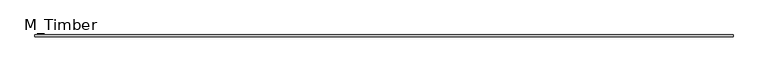
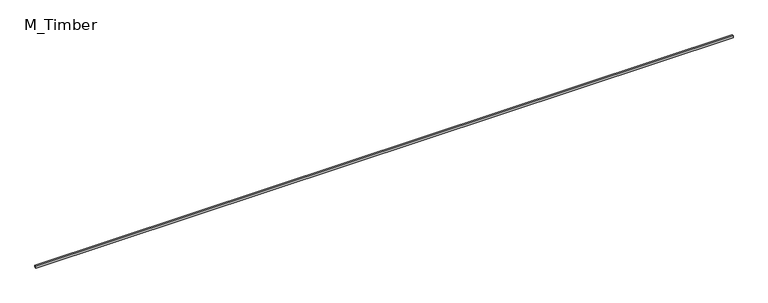
"""IFC4 building model written with IfcOpenShell, lengths in millimetres: beam geometry, M_Timber."""

import ifcopenshell
import ifcopenshell.guid

model = None  # the IFC model being written
_history = None  # IfcOwnerHistory: only IFC2X3 demands one
_inside = {}  # id of a spatial element -> (the spatial element, [elements in it])
_under = {}  # id of a project, library or spatial element -> (it, [spatial elements below it])
_declared = {}  # id of a project -> (the project, [libraries it declares])
_typed = {}  # id of a type object -> (the type object, [elements of that type])
_made_of = {}  # id of a material, layer set ... -> (it, [elements and type objects made of it])


def new_model(schema):
    """Start an empty IFC model of exactly this schema.

    Asked for "IFC4X3", IfcOpenShell would pick the latest addendum, in which some entities
    have other attributes; the version numbers below select the first issue.
    IFC2X3 requires an IfcOwnerHistory on every rooted entity: one is made here for all.
    """
    global model, _history
    if schema == "IFC4X3":
        model = ifcopenshell.file(schema_version=(4, 3, 0, 0))
    else:
        model = ifcopenshell.file(schema=schema)
    _inside.clear()
    _under.clear()
    _declared.clear()
    _typed.clear()
    _made_of.clear()
    _history = None
    if model.schema == "IFC2X3":
        org = make("IfcOrganization", Name="unknown")
        user = make(
            "IfcPersonAndOrganization",
            ThePerson=make("IfcPerson", FamilyName="unknown"),
            TheOrganization=org,
        )
        app = make(
            "IfcApplication",
            ApplicationDeveloper=org,
            Version="unknown",
            ApplicationFullName="unknown",
            ApplicationIdentifier="unknown",
        )
        _history = make(
            "IfcOwnerHistory",
            OwningUser=user,
            OwningApplication=app,
            ChangeAction="ADDED",
            CreationDate=0,
        )
    return model


def make(cls, **values):
    """One entity of the class cls with the attributes given. An attribute that is None is left unset."""
    return model.create_entity(
        cls, **{name: value for name, value in values.items() if value is not None}
    )


def rooted(cls, **values):
    """An entity with a GlobalId (a new one), such as an element, a storey or a relation."""
    return make(cls, GlobalId=ifcopenshell.guid.new(), OwnerHistory=_history, **values)


def si_unit(unit_type, name, prefix=None):
    """IfcSIUnit, for example si_unit("LENGTHUNIT", "METRE", prefix="MILLI")."""
    return make("IfcSIUnit", UnitType=unit_type, Prefix=prefix, Name=name)


def assignment(units):
    """IfcUnitAssignment: the units of a project."""
    return None if units is None else make("IfcUnitAssignment", Units=units)


def point(xyz):
    """IfcCartesianPoint."""
    return None if xyz is None else make("IfcCartesianPoint", Coordinates=xyz)


def direction(xyz):
    """IfcDirection."""
    return None if xyz is None else make("IfcDirection", DirectionRatios=xyz)


def frame(location, z_axis=None, x_axis=None):
    """IfcAxis2Placement3D, a coordinate frame: its origin and axes. An axis left out is left unset."""
    return make(
        "IfcAxis2Placement3D",
        Location=point(location),
        Axis=direction(z_axis),
        RefDirection=direction(x_axis),
    )


def origin():
    """The frame at (0, 0, 0) with its axes left unset."""
    return frame((0.0, 0.0, 0.0))


def place(relative_to, where):
    """IfcLocalPlacement: puts the frame where relative to a parent placement (None: the world)."""
    return make(
        "IfcLocalPlacement", PlacementRelTo=relative_to, RelativePlacement=where
    )


def context(
    kind, dimensions, precision=None, world=None, true_north=None, identifier=None
):
    """IfcGeometricRepresentationContext, for example the 3D "Model" context."""
    return make(
        "IfcGeometricRepresentationContext",
        ContextIdentifier=identifier,
        ContextType=kind,
        CoordinateSpaceDimension=dimensions,
        Precision=precision,
        WorldCoordinateSystem=world,
        TrueNorth=true_north,
    )


def project(units=None, contexts=None):
    """IfcProject with its units and contexts."""
    return rooted(
        "IfcProject",
        Name="project",
        RepresentationContexts=contexts,
        UnitsInContext=assignment(units),
    )


def spatial(cls, under=None, at=None, **own):
    """A site, building, storey or space (cls), placed at a placement, below another one or the project."""
    s = rooted(cls, ObjectPlacement=at, **own)
    if under is not None:
        _under.setdefault(under.id(), (under, []))[1].append(s)
    return s


def polyline(points):
    """IfcPolyline through the points."""
    return make("IfcPolyline", Points=[point(p) for p in points])


def outline(outer, holes=None, kind="AREA"):
    """IfcArbitraryClosedProfileDef: a profile drawn as a closed curve; with holes, ...WithVoids."""
    if holes is None:
        return make("IfcArbitraryClosedProfileDef", ProfileType=kind, OuterCurve=outer)
    return make(
        "IfcArbitraryProfileDefWithVoids",
        ProfileType=kind,
        OuterCurve=outer,
        InnerCurves=holes,
    )


def extrude(swept, where, along, depth):
    """IfcExtrudedAreaSolid: the profile swept, set in the frame where, extruded along a direction by depth."""
    return make(
        "IfcExtrudedAreaSolid",
        SweptArea=swept,
        Position=where,
        ExtrudedDirection=direction(along),
        Depth=depth,
    )


def shape(context_of_items, identifier, shape_type, items):
    """IfcShapeRepresentation: the items that make up one representation, for example the "Body"."""
    return make(
        "IfcShapeRepresentation",
        ContextOfItems=context_of_items,
        RepresentationIdentifier=identifier,
        RepresentationType=shape_type,
        Items=items,
    )


def source(mapping_origin, context_of_items, identifier, shape_type, items):
    """IfcRepresentationMap: a shape defined once, which mapped items show again and again."""
    return make(
        "IfcRepresentationMap",
        MappingOrigin=mapping_origin,
        MappedRepresentation=shape(context_of_items, identifier, shape_type, items),
    )


def transform(
    local_origin,
    x_axis=None,
    y_axis=None,
    z_axis=None,
    scale=None,
    scale2=None,
    scale3=None,
    uniform=True,
):
    """IfcCartesianTransformationOperator3D, or its non-uniform kind. x_axis, y_axis, z_axis: its Axis1, 2, 3."""
    if uniform:
        return make(
            "IfcCartesianTransformationOperator3D",
            Axis1=direction(x_axis),
            Axis2=direction(y_axis),
            LocalOrigin=point(local_origin),
            Scale=scale,
            Axis3=direction(z_axis),
        )
    return make(
        "IfcCartesianTransformationOperator3DnonUniform",
        Axis1=direction(x_axis),
        Axis2=direction(y_axis),
        LocalOrigin=point(local_origin),
        Scale=scale,
        Axis3=direction(z_axis),
        Scale2=scale2,
        Scale3=scale3,
    )


def mapped(mapping_source, mapping_target):
    """IfcMappedItem: shows the shape of a source again, moved by a transform."""
    return make(
        "IfcMappedItem", MappingSource=mapping_source, MappingTarget=mapping_target
    )


def made_of(thing, what):
    """Note that an element or type object is made of a material, layer set ...; save() writes the relation."""
    if what is not None:
        _made_of.setdefault(what.id(), (what, []))[1].append(thing)
    return thing


def element(
    cls,
    number,
    at=None,
    inside=None,
    cuts=None,
    type_object=None,
    material=None,
    context=None,
    identifier="Body",
    shape_type=None,
    held_by="IfcProductDefinitionShape",
    body=None,
    shapes=None,
    **own,
):
    """One element of the class cls, such as IfcWall. Its Tag is "e" and its number.

    at: its placement. inside: the storey or other place that contains it. cuts: it is an
    opening in that element (IfcRelVoidsElement). A single representation is given by context,
    identifier, shape_type and body (its items); several are given by shapes. held_by: the class
    of the entity that holds the representations. save() writes the other relations.
    """
    e = rooted(cls, Tag="e%d" % number, ObjectPlacement=at, **own)
    if body is not None:
        shapes = [shape(context, identifier, shape_type, body)]
    if shapes is not None:
        e.Representation = make(held_by, Representations=shapes)
    if inside is not None:
        _inside.setdefault(inside.id(), (inside, []))[1].append(e)
    if cuts is not None:
        rooted(
            "IfcRelVoidsElement", RelatingBuildingElement=cuts, RelatedOpeningElement=e
        )
    if type_object is not None:
        _typed.setdefault(type_object.id(), (type_object, []))[1].append(e)
    return made_of(e, material)


def aggregate(whole, parts):
    """IfcRelAggregates: a whole, such as a stair, and the parts it consists of."""
    return rooted("IfcRelAggregates", RelatingObject=whole, RelatedObjects=parts)


def save(model, path):
    """Write the relations noted so far, then the file.

    IfcRelAggregates (storeys below a building ...), IfcRelContainedInSpatialStructure (elements
    in a storey), IfcRelDefinesByType, IfcRelAssociatesMaterial and IfcRelDeclares: one each for
    every whole, place, type object, material and project.
    """
    for whole, parts in _under.values():
        aggregate(whole, parts)
    for where, things in _inside.values():
        rooted(
            "IfcRelContainedInSpatialStructure",
            RelatedElements=things,
            RelatingStructure=where,
        )
    for kind, things in _typed.values():
        rooted("IfcRelDefinesByType", RelatedObjects=things, RelatingType=kind)
    for what, things in _made_of.values():
        rooted("IfcRelAssociatesMaterial", RelatedObjects=things, RelatingMaterial=what)
    for by, libraries in _declared.values():
        rooted("IfcRelDeclares", RelatingContext=by, RelatedDefinitions=libraries)
    model.write(path)


def m_timber_55c9d656(model_context):
    return source(origin(), model_context, "Body", "SweptSolid", [
        extrude(outline(polyline([(7692.8184015, 20.0), (7692.8184015, -20.0), (-7692.8184015, -20.0), (-7692.8184015, 20.0), (7692.8184015, 20.0)])), frame((0.0, 0.0, -20.0), z_axis=(0.0, 0.0, 1.0), x_axis=(1.0, 0.0, 0.0)), (0.0, 0.0, 1.0), 40.0),
    ])


if __name__ == "__main__":
    model = new_model("IFC4")
    model_context = context("Model", 3, world=origin())
    ifc_project = project(units=[si_unit("LENGTHUNIT", "METRE", prefix="MILLI")], contexts=[model_context])
    site = spatial("IfcSite", under=ifc_project)
    building = spatial("IfcBuilding", under=site)
    placement = place(None, origin())
    m_timber_shape = m_timber_55c9d656(model_context)
    element("IfcBeam", 1, ObjectType="M_Timber", at=placement, inside=building, context=model_context, shape_type="MappedRepresentation", body=[
        mapped(m_timber_shape, transform((0.0, 0.0, 0.0), x_axis=(1.0, 0.0, 0.0), y_axis=(0.0, 1.0, 0.0), z_axis=(0.0, 0.0, 1.0))),
    ])
    save(model, "model.ifc")
